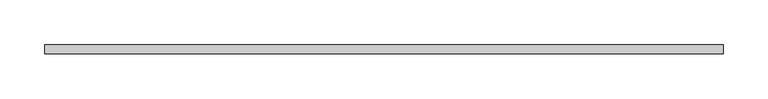
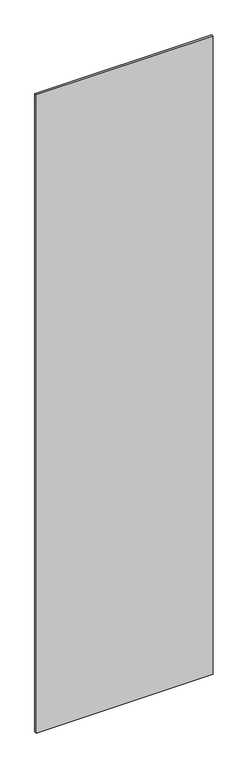
"""IFC4 building model written with IfcOpenShell, lengths in millimetres: plate geometry."""

from ifc_helpers import new_model, si_unit, origin, origin_with_axes, place, context, project, spatial, polyline, outline, extrude, source, transform, mapped, element, save


def plate_4b01b467(model_context):
    return source(origin(), model_context, "Body", "SweptSolid", [
        extrude(outline(polyline([(380.0, -5.0), (-380.0, -5.0), (-380.0, 5.0), (380.0, 5.0), (380.0, -5.0)])), origin_with_axes(), (0.0, 0.0, 1.0), 2895.0),
    ])


if __name__ == "__main__":
    model = new_model("IFC4")
    model_context = context("Model", 3, world=origin())
    ifc_project = project(units=[si_unit("LENGTHUNIT", "METRE", prefix="MILLI")], contexts=[model_context])
    site = spatial("IfcSite", under=ifc_project)
    building = spatial("IfcBuilding", under=site)
    placement = place(None, origin())
    plate_shape = plate_4b01b467(model_context)
    element("IfcPlate", 1, at=placement, inside=building, context=model_context, shape_type="MappedRepresentation", body=[
        mapped(plate_shape, transform((0.0, 0.0, 0.0), x_axis=(1.0, 0.0, 0.0), y_axis=(0.0, 1.0, 0.0), z_axis=(0.0, 0.0, 1.0))),
    ])
    save(model, "model.ifc")
